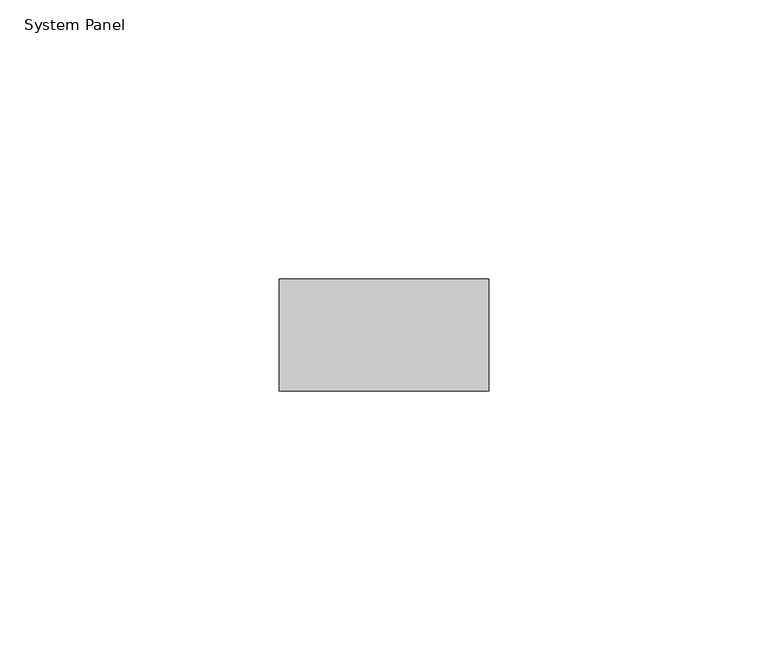
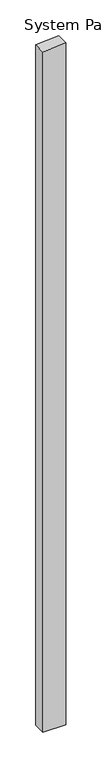
"""IFC4 building model written with IfcOpenShell, lengths in millimetres: plate geometry, System Panel."""

from ifc_helpers import new_model, si_unit, frame, origin, place, context, project, spatial, polyline, outline, extrude, source, transform, mapped, element, save


def system_panel_bafaf680(model_context):
    return source(origin(), model_context, "Body", "SweptSolid", [
        extrude(outline(polyline([(0.0, -18.7449927), (0.0, 18.7449927), (1167.3890777, 18.7449927), (1164.6296336, -18.7449927), (0.0, -18.7449927)])), frame((0.0, -10.0, 0.0), z_axis=(0.0, 1.0, 0.0), x_axis=(0.0, 0.0, 1.0)), (0.0, 0.0, 1.0), 20.0),
    ])


if __name__ == "__main__":
    model = new_model("IFC4")
    model_context = context("Model", 3, world=origin())
    ifc_project = project(units=[si_unit("LENGTHUNIT", "METRE", prefix="MILLI")], contexts=[model_context])
    site = spatial("IfcSite", under=ifc_project)
    building = spatial("IfcBuilding", under=site)
    placement = place(None, origin())
    system_panel_shape = system_panel_bafaf680(model_context)
    element("IfcPlate", 1, ObjectType="System Panel", at=placement, inside=building, context=model_context, shape_type="MappedRepresentation", body=[
        mapped(system_panel_shape, transform((0.0, 0.0, 0.0), x_axis=(1.0, 0.0, 0.0), y_axis=(0.0, 1.0, 0.0), z_axis=(0.0, 0.0, 1.0))),
    ])
    save(model, "model.ifc")
